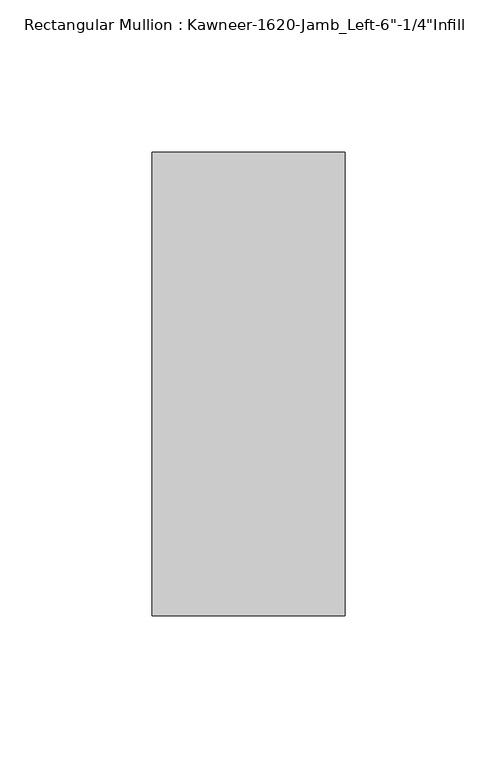
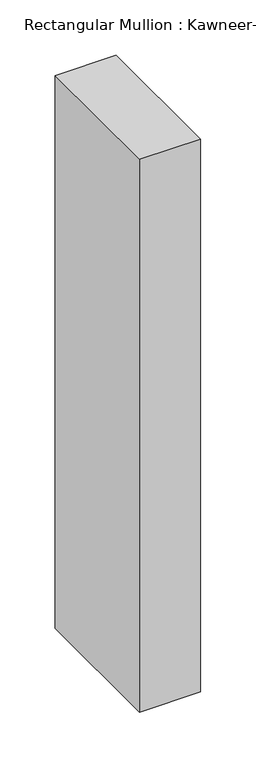
"""IFC4 building model written with IfcOpenShell, lengths in millimetres: member geometry."""

from ifc_helpers import new_model, si_unit, frame, origin, place, context, project, spatial, polyline, outline, extrude, source, transform, mapped, element, save


def member_a5db46a9(model_context):
    return source(origin(), model_context, "Body", "SweptSolid", [
        extrude(outline(polyline([(-63.5, 28.575), (0.0, 28.575), (0.0, -123.825), (-63.5, -123.825), (-63.5, 28.575)])), frame((0.0, 0.0, -609.6), z_axis=(0.0, 0.0, 1.0), x_axis=(1.0, 0.0, 0.0)), (0.0, 0.0, 1.0), 609.6),
    ])


if __name__ == "__main__":
    model = new_model("IFC4")
    model_context = context("Model", 3, world=origin())
    ifc_project = project(units=[si_unit("LENGTHUNIT", "METRE", prefix="MILLI")], contexts=[model_context])
    site = spatial("IfcSite", under=ifc_project)
    building = spatial("IfcBuilding", under=site)
    placement = place(None, origin())
    member_shape = member_a5db46a9(model_context)
    element("IfcMember", 1, ObjectType="Rectangular Mullion : Kawneer-1620-Jamb_Left-6\"-1/4\"Infill", at=placement, inside=building, context=model_context, shape_type="MappedRepresentation", body=[
        mapped(member_shape, transform((0.0, 0.0, 0.0), x_axis=(1.0, 0.0, 0.0), y_axis=(0.0, 1.0, 0.0), z_axis=(0.0, 0.0, 1.0))),
    ])
    save(model, "model.ifc")
